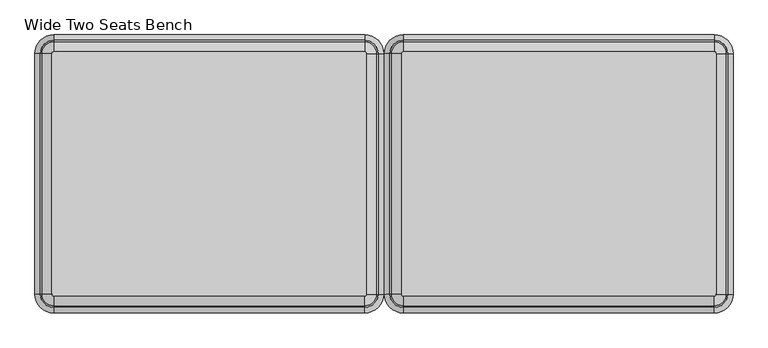
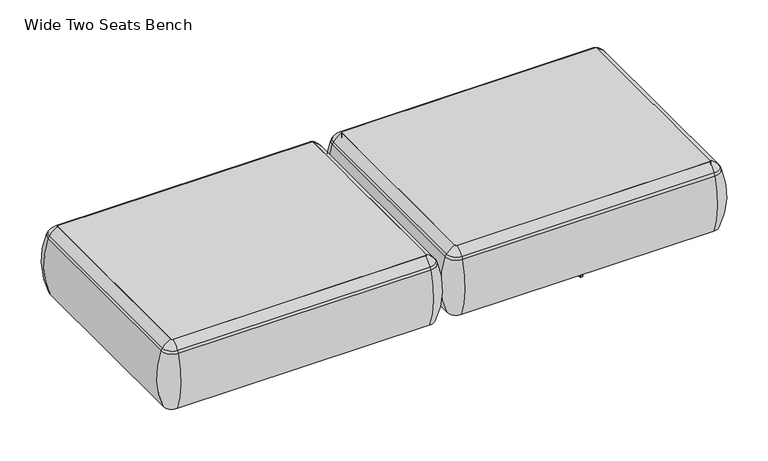
"""IFC4 building model written with IfcOpenShell, lengths in millimetres: furniture geometry, Wide Two Seats Bench."""

from ifc_helpers import new_model, si_unit, point, frame, frame_2d, origin, place, context, project, spatial, polyline, circle_curve, ellipse_curve, trimmed, segment, composite_curve, outline, extrude, source, transform, mapped, element, save
from ifc_brep_helpers import plane_surface, cylinder_surface, revolved_surface, advanced_brep


def wide_two_seats_bench_22a17a26(model_context):
    return source(origin(), model_context, "Body", "SolidModel", [
        extrude(outline(composite_curve([segment(trimmed(circle_curve(frame_2d((885.0815868, -668.4794123)), 5.2798073), [point((890.3613941, -668.4794123))], [point((885.0815868, -673.7592195))], False, "CARTESIAN"), True, "CONTINUOUS"), segment(polyline([(885.0815868, -673.7592195), (-94.0884132, -673.7592195)]), True, "CONTINUOUS"), segment(trimmed(circle_curve(frame_2d((-94.0884132, -668.4794123)), 5.2798073), [point((-94.0884132, -673.7592195))], [point((-99.3682204, -668.4794123))], False, "CARTESIAN"), True, "CONTINUOUS"), segment(polyline([(-99.3682204, -668.4794123), (-99.3682204, 89.8571486)]), True, "CONTINUOUS"), segment(trimmed(circle_curve(frame_2d((-94.0884132, 89.8571486)), 5.2798073), [point((-99.3682204, 89.8571486))], [point((-94.0884132, 95.1369558))], False, "CARTESIAN"), True, "CONTINUOUS"), segment(polyline([(-94.0884132, 95.1369558), (885.0815868, 95.1369558)]), True, "CONTINUOUS"), segment(trimmed(circle_curve(frame_2d((885.0815868, 89.8571486)), 5.2798073), [point((885.0815868, 95.1369558))], [point((890.3613941, 89.8571486))], False, "CARTESIAN"), True, "CONTINUOUS"), segment(polyline([(890.3613941, 89.8571486), (890.3613941, -668.4794123)]), True, "CONTINUOUS")], self_intersect=False)), frame((0.0, 0.0, 123.9999984), z_axis=(0.0, 0.0, 1.0), x_axis=(1.0, 0.0, 0.0)), (0.0, 0.0, 1.0), 266.3914023),
        advanced_brep(
        [(-99.3682204, -668.4794123, 390.3914007), (-94.0884132, -673.7592195, 390.3914007), (-94.0884132, -673.7592195, 123.9999984), (-99.3682204, -668.4794123, 123.9999984), (-128.0562646, -668.4794123, 123.9999984), (-94.0884132, -702.4472637, 123.9999984), (-94.0884132, -710.1267287, 353.7769053), (-135.7357296, -668.4794123, 353.7769053), (-99.3682204, 89.8571486, 123.9999984), (-99.3682204, 89.8571486, 390.3914007), (-135.7357296, 89.8571486, 353.7769053), (-128.0562646, 89.8571486, 123.9999984), (-94.0884132, 95.1369558, 390.3914007), (-94.0884132, 95.1369558, 123.9999984), (-94.0884132, 123.825, 123.9999984), (-94.0884132, 131.504465, 353.7769053), (885.0815868, 95.1369558, 123.9999984), (885.0815868, 95.1369558, 390.3914007), (885.0815868, 131.504465, 353.7769053), (885.0815868, 123.825, 123.9999984), (890.3613941, 89.8571486, 390.3914007), (890.3613941, 89.8571486, 123.9999984), (919.0494383, 89.8571486, 123.9999984), (926.7289033, 89.8571486, 353.7769053), (890.3613941, -668.4794123, 123.9999984), (890.3613941, -668.4794123, 390.3914007), (926.7289033, -668.4794123, 353.7769053), (919.0494383, -668.4794123, 123.9999984), (885.0815868, -673.7592195, 390.3914007), (885.0815868, -673.7592195, 123.9999984), (885.0815868, -702.4472637, 123.9999984), (885.0815868, -710.1267287, 353.7769053), (-130.5172697, -668.4794123, 363.6402875), (-94.0884132, -704.9082688, 363.6402875), (-130.5172697, 89.8571486, 363.6402875), (-94.0884132, 126.2860051, 363.6402875), (885.0815868, 126.2860051, 363.6402875), (921.5104434, 89.8571486, 363.6402875), (921.5104434, -668.4794123, 363.6402875), (885.0815868, -704.9082688, 363.6402875)],
        [
            (0, 1, circle_curve(frame((-94.0884132, -668.4794123, 390.3914007), z_axis=(0.0, 0.0, 1.0), x_axis=(0.0, -1.0, 0.0)), 5.2798073)),
            (1, 2),
            (2, 3, circle_curve(frame((-94.0884132, -668.4794123, 123.9999984), z_axis=(0.0, 0.0, -1.0), x_axis=(0.0, -1.0, 0.0)), 5.2798073)),
            (3, 0),
            (4, 5, circle_curve(frame((-94.0884132, -668.4794123, 123.9999984), z_axis=(0.0, 0.0, 1.0), x_axis=(0.0, -1.0, 0.0)), 33.9678514)),
            (5, 6, circle_curve(frame((-94.0884132, -406.0729797, 248.9220234), z_axis=(-1.0, 0.0, 0.0), x_axis=(0.0, -1.0, 0.0)), 321.625914)),
            (6, 7, circle_curve(frame((-94.0884132, -668.4794123, 353.7769053), z_axis=(0.0, 0.0, -1.0), x_axis=(0.0, -1.0, 0.0)), 41.6473165)),
            (7, 4, circle_curve(frame((168.3180194, -668.4794123, 248.9220234), z_axis=(0.0, -1.0, 0.0), x_axis=(-1.0, 0.0, 0.0)), 321.625914)),
            (3, 8),
            (8, 9),
            (9, 0),
            (7, 10),
            (10, 11, circle_curve(frame((168.3180194, 89.8571486, 248.9220234), z_axis=(0.0, -1.0, 0.0), x_axis=(-1.0, 0.0, 0.0)), 321.625914)),
            (11, 4),
            (12, 9, circle_curve(frame((-94.0884132, 89.8571486, 390.3914007), z_axis=(0.0, 0.0, 1.0), x_axis=(-1.0, 0.0, 0.0)), 5.2798073)),
            (8, 13, circle_curve(frame((-94.0884132, 89.8571486, 123.9999984), z_axis=(0.0, 0.0, -1.0), x_axis=(-1.0, 0.0, 0.0)), 5.2798073)),
            (13, 12),
            (14, 11, circle_curve(frame((-94.0884132, 89.8571486, 123.9999984), z_axis=(0.0, 0.0, 1.0), x_axis=(-1.0, 0.0, 0.0)), 33.9678514)),
            (10, 15, circle_curve(frame((-94.0884132, 89.8571486, 353.7769053), z_axis=(0.0, 0.0, -1.0), x_axis=(-1.0, 0.0, 0.0)), 41.6473165)),
            (15, 14, circle_curve(frame((-94.0884132, -172.549284, 248.9220234), z_axis=(-1.0, 0.0, 0.0), x_axis=(0.0, 1.0, 0.0)), 321.625914)),
            (13, 16),
            (16, 17),
            (17, 12),
            (15, 18),
            (18, 19, circle_curve(frame((885.0815868, -172.549284, 248.9220234), z_axis=(-1.0, 0.0, 0.0), x_axis=(0.0, 1.0, 0.0)), 321.625914)),
            (19, 14),
            (20, 17, circle_curve(frame((885.0815868, 89.8571486, 390.3914007), z_axis=(0.0, 0.0, 1.0), x_axis=(0.0, 1.0, 0.0)), 5.2798073)),
            (16, 21, circle_curve(frame((885.0815868, 89.8571486, 123.9999984), z_axis=(0.0, 0.0, -1.0), x_axis=(0.0, 1.0, 0.0)), 5.2798073)),
            (21, 20),
            (22, 19, circle_curve(frame((885.0815868, 89.8571486, 123.9999984), z_axis=(0.0, 0.0, 1.0), x_axis=(0.0, 1.0, 0.0)), 33.9678514)),
            (18, 23, circle_curve(frame((885.0815868, 89.8571486, 353.7769053), z_axis=(0.0, 0.0, -1.0), x_axis=(0.0, 1.0, 0.0)), 41.6473165)),
            (23, 22, circle_curve(frame((622.6751543, 89.8571486, 248.9220234), z_axis=(0.0, 1.0, 0.0), x_axis=(1.0, 0.0, 0.0)), 321.625914)),
            (21, 24),
            (24, 25),
            (25, 20),
            (23, 26),
            (26, 27, circle_curve(frame((622.6751543, -668.4794123, 248.9220234), z_axis=(0.0, 1.0, 0.0), x_axis=(1.0, 0.0, 0.0)), 321.625914)),
            (27, 22),
            (28, 25, circle_curve(frame((885.0815868, -668.4794123, 390.3914007), z_axis=(0.0, 0.0, 1.0), x_axis=(1.0, 0.0, 0.0)), 5.2798073)),
            (24, 29, circle_curve(frame((885.0815868, -668.4794123, 123.9999984), z_axis=(0.0, 0.0, -1.0), x_axis=(1.0, 0.0, 0.0)), 5.2798073)),
            (29, 28),
            (30, 27, circle_curve(frame((885.0815868, -668.4794123, 123.9999984), z_axis=(0.0, 0.0, 1.0), x_axis=(1.0, 0.0, 0.0)), 33.9678514)),
            (26, 31, circle_curve(frame((885.0815868, -668.4794123, 353.7769053), z_axis=(0.0, 0.0, -1.0), x_axis=(1.0, 0.0, 0.0)), 41.6473165)),
            (31, 30, circle_curve(frame((885.0815868, -406.0729797, 248.9220234), z_axis=(1.0, 0.0, 0.0), x_axis=(0.0, -1.0, 0.0)), 321.625914)),
            (30, 5),
            (2, 29),
            (1, 28),
            (31, 6),
            (32, 33, circle_curve(frame((-94.0884132, -668.4794123, 363.6402875), z_axis=(0.0, 0.0, 1.0), x_axis=(0.0, -1.0, 0.0)), 36.4288566)),
            (33, 1, circle_curve(frame((-94.0884132, -629.5266, 307.3762868), z_axis=(-1.0, 0.0, 0.0), x_axis=(0.0, -1.0, 0.0)), 94.0639876)),
            (0, 32, circle_curve(frame((-55.1356009, -668.4794123, 307.3762868), z_axis=(0.0, -1.0, 0.0), x_axis=(-1.0, 0.0, 0.0)), 94.0639876)),
            (6, 33, circle_curve(frame((-94.0884132, -675.8620096, 341.9604975), z_axis=(-1.0, 0.0, 0.0), x_axis=(0.0, -1.0, 0.0)), 36.2449785)),
            (32, 7, circle_curve(frame((-101.4710105, -668.4794123, 341.9604975), z_axis=(0.0, -1.0, 0.0), x_axis=(-1.0, 0.0, 0.0)), 36.2449785)),
            (9, 34, circle_curve(frame((-55.1356009, 89.8571486, 307.3762868), z_axis=(0.0, -1.0, 0.0), x_axis=(-1.0, 0.0, 0.0)), 94.0639876)),
            (34, 32),
            (34, 10, circle_curve(frame((-101.4710105, 89.8571486, 341.9604975), z_axis=(0.0, -1.0, 0.0), x_axis=(-1.0, 0.0, 0.0)), 36.2449785)),
            (35, 34, circle_curve(frame((-94.0884132, 89.8571486, 363.6402875), z_axis=(0.0, 0.0, 1.0), x_axis=(-1.0, 0.0, 0.0)), 36.4288566)),
            (12, 35, circle_curve(frame((-94.0884132, 50.9043363, 307.3762868), z_axis=(-1.0, 0.0, 0.0), x_axis=(0.0, 1.0, 0.0)), 94.0639876)),
            (35, 15, circle_curve(frame((-94.0884132, 97.2397459, 341.9604975), z_axis=(-1.0, 0.0, 0.0), x_axis=(0.0, 1.0, 0.0)), 36.2449785)),
            (17, 36, circle_curve(frame((885.0815868, 50.9043363, 307.3762868), z_axis=(-1.0, 0.0, 0.0), x_axis=(0.0, 1.0, 0.0)), 94.0639876)),
            (36, 35),
            (36, 18, circle_curve(frame((885.0815868, 97.2397459, 341.9604975), z_axis=(-1.0, 0.0, 0.0), x_axis=(0.0, 1.0, 0.0)), 36.2449785)),
            (37, 36, circle_curve(frame((885.0815868, 89.8571486, 363.6402875), z_axis=(0.0, 0.0, 1.0), x_axis=(0.0, 1.0, 0.0)), 36.4288566)),
            (20, 37, circle_curve(frame((846.1287746, 89.8571486, 307.3762868), z_axis=(0.0, 1.0, 0.0), x_axis=(1.0, 0.0, 0.0)), 94.0639876)),
            (37, 23, circle_curve(frame((892.4641842, 89.8571486, 341.9604975), z_axis=(0.0, 1.0, 0.0), x_axis=(1.0, 0.0, 0.0)), 36.2449785)),
            (25, 38, circle_curve(frame((846.1287746, -668.4794123, 307.3762868), z_axis=(0.0, 1.0, 0.0), x_axis=(1.0, 0.0, 0.0)), 94.0639876)),
            (38, 37),
            (38, 26, circle_curve(frame((892.4641842, -668.4794123, 341.9604975), z_axis=(0.0, 1.0, 0.0), x_axis=(1.0, 0.0, 0.0)), 36.2449785)),
            (39, 38, circle_curve(frame((885.0815868, -668.4794123, 363.6402875), z_axis=(0.0, 0.0, 1.0), x_axis=(1.0, 0.0, 0.0)), 36.4288566)),
            (28, 39, circle_curve(frame((885.0815868, -629.5266, 307.3762868), z_axis=(1.0, 0.0, 0.0), x_axis=(0.0, -1.0, 0.0)), 94.0639876)),
            (39, 31, circle_curve(frame((885.0815868, -675.8620096, 341.9604975), z_axis=(1.0, 0.0, 0.0), x_axis=(0.0, -1.0, 0.0)), 36.2449785)),
            (33, 39),
        ],
        [
            revolved_surface(polyline([(-94.0884132, -673.7592196, 123.9999984), (-94.0884132, -673.7592196, 390.3914007)]), (-94.0884132, -668.4794123, 0.0), (0.0, 0.0, -1.0)),
            revolved_surface(trimmed(ellipse_curve(frame((-94.0884132, -406.0729797, 248.9220234), z_axis=(1.0, 0.0, 0.0), x_axis=(0.0, -1.0, 0.0)), 321.625914, 321.625914), [point((-94.0884132, -710.1267287, 353.7769053))], [point((-94.0884132, -702.4472637, 123.9999984))], True, "CARTESIAN"), (-94.0884132, -668.4794123, 0.0), (0.0, 0.0, -1.0)),
            plane_surface(frame((-99.3682204, -668.4794123, 123.9999984), z_axis=(1.0, 0.0, 0.0), x_axis=(0.0, 1.0, 0.0))),
            cylinder_surface(frame((168.3180194, -668.4794123, 248.9220234), z_axis=(0.0, -1.0, 0.0), x_axis=(-1.0, 0.0, 0.0)), 321.625914),
            revolved_surface(polyline([(-99.3682205, 89.8571486, 123.9999984), (-99.3682205, 89.8571486, 390.3914007)]), (-94.0884132, 89.8571486, 0.0), (0.0, 0.0, -1.0)),
            revolved_surface(trimmed(ellipse_curve(frame((168.3180194, 89.8571486, 248.9220234), z_axis=(0.0, -1.0, 0.0), x_axis=(-1.0, 0.0, 0.0)), 321.625914, 321.625914), [point((-135.7357296, 89.8571486, 353.7769053))], [point((-128.0562646, 89.8571486, 123.9999984))], True, "CARTESIAN"), (-94.0884132, 89.8571486, 0.0), (0.0, 0.0, -1.0)),
            plane_surface(frame((-94.0884132, 95.1369558, 123.9999984), z_axis=(0.0, -1.0, 0.0), x_axis=(1.0, 0.0, 0.0))),
            cylinder_surface(frame((-94.0884132, -172.549284, 248.9220234), z_axis=(-1.0, 0.0, 0.0), x_axis=(0.0, 1.0, 0.0)), 321.625914),
            revolved_surface(polyline([(885.0815868, 95.1369559, 123.9999984), (885.0815868, 95.1369559, 390.3914007)]), (885.0815868, 89.8571486, 0.0), (0.0, 0.0, -1.0)),
            revolved_surface(trimmed(ellipse_curve(frame((885.0815868, -172.549284, 248.9220234), z_axis=(-1.0, 0.0, 0.0), x_axis=(0.0, 1.0, 0.0)), 321.625914, 321.625914), [point((885.0815868, 131.504465, 353.7769053))], [point((885.0815868, 123.825, 123.9999984))], True, "CARTESIAN"), (885.0815868, 89.8571486, 0.0), (0.0, 0.0, -1.0)),
            plane_surface(frame((890.3613941, 89.8571486, 123.9999984), z_axis=(-1.0, 0.0, 0.0), x_axis=(0.0, -1.0, 0.0))),
            cylinder_surface(frame((622.6751543, 89.8571486, 248.9220234), z_axis=(0.0, 1.0, 0.0), x_axis=(1.0, 0.0, 0.0)), 321.625914),
            revolved_surface(polyline([(890.3613941, -668.4794123, 123.9999984), (890.3613941, -668.4794123, 390.3914007)]), (885.0815868, -668.4794123, 0.0), (0.0, 0.0, -1.0)),
            revolved_surface(trimmed(ellipse_curve(frame((622.6751543, -668.4794123, 248.9220234), z_axis=(0.0, 1.0, 0.0), x_axis=(1.0, 0.0, 0.0)), 321.625914, 321.625914), [point((926.7289033, -668.4794123, 353.7769053))], [point((919.0494383, -668.4794123, 123.9999984))], True, "CARTESIAN"), (885.0815868, -668.4794123, 0.0), (0.0, 0.0, -1.0)),
            plane_surface(frame((885.0815868, -702.4472637, 123.9999984), z_axis=(0.0, 0.0, -1.0), x_axis=(-1.0, 0.0, 0.0))),
            plane_surface(frame((885.0815868, -673.7592195, 123.9999984), z_axis=(0.0, 1.0, 0.0), x_axis=(-1.0, 0.0, 0.0))),
            cylinder_surface(frame((885.0815868, -406.0729797, 248.9220234), z_axis=(1.0, 0.0, 0.0), x_axis=(0.0, -1.0, 0.0)), 321.625914),
            revolved_surface(trimmed(ellipse_curve(frame((-94.0884132, -629.5266, 307.3762868), z_axis=(1.0, 0.0, 0.0), x_axis=(0.0, -1.0, 0.0)), 94.0639876, 94.0639876), [point((-94.0884132, -673.7592195, 390.3914007))], [point((-94.0884132, -704.9082688, 363.6402875))], True, "CARTESIAN"), (-94.0884132, -668.4794123, 0.0), (0.0, 0.0, -1.0)),
            revolved_surface(trimmed(ellipse_curve(frame((-94.0884132, -675.8620096, 341.9604975), z_axis=(1.0, 0.0, 0.0), x_axis=(0.0, -1.0, 0.0)), 36.2449785, 36.2449785), [point((-94.0884132, -704.9082688, 363.6402875))], [point((-94.0884132, -710.1267287, 353.7769053))], True, "CARTESIAN"), (-94.0884132, -668.4794123, 0.0), (0.0, 0.0, -1.0)),
            cylinder_surface(frame((-55.1356009, -668.4794123, 307.3762868), z_axis=(0.0, -1.0, 0.0), x_axis=(-1.0, 0.0, 0.0)), 94.0639876),
            cylinder_surface(frame((-101.4710105, -668.4794123, 341.9604975), z_axis=(0.0, -1.0, 0.0), x_axis=(-1.0, 0.0, 0.0)), 36.2449785),
            revolved_surface(trimmed(ellipse_curve(frame((-55.1356009, 89.8571486, 307.3762868), z_axis=(0.0, -1.0, 0.0), x_axis=(-1.0, 0.0, 0.0)), 94.0639876, 94.0639876), [point((-99.3682204, 89.8571486, 390.3914007))], [point((-130.5172697, 89.8571486, 363.6402875))], True, "CARTESIAN"), (-94.0884132, 89.8571486, 0.0), (0.0, 0.0, -1.0)),
            revolved_surface(trimmed(ellipse_curve(frame((-101.4710105, 89.8571486, 341.9604975), z_axis=(0.0, -1.0, 0.0), x_axis=(-1.0, 0.0, 0.0)), 36.2449785, 36.2449785), [point((-130.5172697, 89.8571486, 363.6402875))], [point((-135.7357296, 89.8571486, 353.7769053))], True, "CARTESIAN"), (-94.0884132, 89.8571486, 0.0), (0.0, 0.0, -1.0)),
            cylinder_surface(frame((-94.0884132, 50.9043363, 307.3762868), z_axis=(-1.0, 0.0, 0.0), x_axis=(0.0, 1.0, 0.0)), 94.0639876),
            cylinder_surface(frame((-94.0884132, 97.2397459, 341.9604975), z_axis=(-1.0, 0.0, 0.0), x_axis=(0.0, 1.0, 0.0)), 36.2449785),
            revolved_surface(trimmed(ellipse_curve(frame((885.0815868, 50.9043363, 307.3762868), z_axis=(-1.0, 0.0, 0.0), x_axis=(0.0, 1.0, 0.0)), 94.0639876, 94.0639876), [point((885.0815868, 95.1369558, 390.3914007))], [point((885.0815868, 126.2860051, 363.6402875))], True, "CARTESIAN"), (885.0815868, 89.8571486, 0.0), (0.0, 0.0, -1.0)),
            revolved_surface(trimmed(ellipse_curve(frame((885.0815868, 97.2397459, 341.9604975), z_axis=(-1.0, 0.0, 0.0), x_axis=(0.0, 1.0, 0.0)), 36.2449785, 36.2449785), [point((885.0815868, 126.2860051, 363.6402875))], [point((885.0815868, 131.504465, 353.7769053))], True, "CARTESIAN"), (885.0815868, 89.8571486, 0.0), (0.0, 0.0, -1.0)),
            cylinder_surface(frame((846.1287746, 89.8571486, 307.3762868), z_axis=(0.0, 1.0, 0.0), x_axis=(1.0, 0.0, 0.0)), 94.0639876),
            cylinder_surface(frame((892.4641842, 89.8571486, 341.9604975), z_axis=(0.0, 1.0, 0.0), x_axis=(1.0, 0.0, 0.0)), 36.2449785),
            revolved_surface(trimmed(ellipse_curve(frame((846.1287746, -668.4794123, 307.3762868), z_axis=(0.0, 1.0, 0.0), x_axis=(1.0, 0.0, 0.0)), 94.0639876, 94.0639876), [point((890.3613941, -668.4794123, 390.3914007))], [point((921.5104434, -668.4794123, 363.6402875))], True, "CARTESIAN"), (885.0815868, -668.4794123, 0.0), (0.0, 0.0, -1.0)),
            revolved_surface(trimmed(ellipse_curve(frame((892.4641842, -668.4794123, 341.9604975), z_axis=(0.0, 1.0, 0.0), x_axis=(1.0, 0.0, 0.0)), 36.2449785, 36.2449785), [point((921.5104434, -668.4794123, 363.6402875))], [point((926.7289033, -668.4794123, 353.7769053))], True, "CARTESIAN"), (885.0815868, -668.4794123, 0.0), (0.0, 0.0, -1.0)),
            cylinder_surface(frame((885.0815868, -629.5266, 307.3762868), z_axis=(1.0, 0.0, 0.0), x_axis=(0.0, -1.0, 0.0)), 94.0639876),
            cylinder_surface(frame((885.0815868, -675.8620096, 341.9604975), z_axis=(1.0, 0.0, 0.0), x_axis=(0.0, -1.0, 0.0)), 36.2449785),
        ],
        [
            (0, [[1, 2, 3, 4]]),
            (1, [[5, 6, 7, 8]]),
            (2, [[-4, 9, 10, 11]]),
            (3, [[-8, 12, 13, 14]]),
            (4, [[15, -10, 16, 17]]),
            (5, [[18, -13, 19, 20]]),
            (6, [[-17, 21, 22, 23]]),
            (7, [[-20, 24, 25, 26]]),
            (8, [[27, -22, 28, 29]]),
            (9, [[30, -25, 31, 32]]),
            (10, [[-29, 33, 34, 35]]),
            (11, [[-32, 36, 37, 38]]),
            (12, [[39, -34, 40, 41]]),
            (13, [[42, -37, 43, 44]]),
            (14, [[-38, -42, 45, -5, -14, -18, -26, -30], [46, -40, -33, -28, -21, -16, -9, -3]]),
            (15, [[-41, -46, -2, 47]]),
            (16, [[-44, 48, -6, -45]]),
            (17, [[49, 50, -1, 51]]),
            (18, [[-7, 52, -49, 53]]),
            (19, [[-51, -11, 54, 55]]),
            (20, [[-53, -55, 56, -12]]),
            (21, [[57, -54, -15, 58]]),
            (22, [[-19, -56, -57, 59]]),
            (23, [[-58, -23, 60, 61]]),
            (24, [[-59, -61, 62, -24]]),
            (25, [[63, -60, -27, 64]]),
            (26, [[-31, -62, -63, 65]]),
            (27, [[-64, -35, 66, 67]]),
            (28, [[-65, -67, 68, -36]]),
            (29, [[69, -66, -39, 70]]),
            (30, [[-43, -68, -69, 71]]),
            (31, [[-70, -47, -50, 72]]),
            (32, [[-71, -72, -52, -48]]),
        ],
    ),
        extrude(outline(composite_curve([segment(trimmed(circle_curve(frame_2d((-215.0888998, -668.4794123)), 5.2798073), [point((-209.8090925, -668.4794123))], [point((-215.0888998, -673.7592195))], False, "CARTESIAN"), True, "CONTINUOUS"), segment(polyline([(-215.0888998, -673.7592195), (-1194.2588998, -673.7592195)]), True, "CONTINUOUS"), segment(trimmed(circle_curve(frame_2d((-1194.2588998, -668.4794123)), 5.2798073), [point((-1194.2588998, -673.7592195))], [point((-1199.538707, -668.4794123))], False, "CARTESIAN"), True, "CONTINUOUS"), segment(polyline([(-1199.538707, -668.4794123), (-1199.538707, 89.8571486)]), True, "CONTINUOUS"), segment(trimmed(circle_curve(frame_2d((-1194.2588998, 89.8571486)), 5.2798073), [point((-1199.538707, 89.8571486))], [point((-1194.2588998, 95.1369558))], False, "CARTESIAN"), True, "CONTINUOUS"), segment(polyline([(-1194.2588998, 95.1369558), (-215.0888998, 95.1369558)]), True, "CONTINUOUS"), segment(trimmed(circle_curve(frame_2d((-215.0888998, 89.8571486)), 5.2798073), [point((-215.0888998, 95.1369558))], [point((-209.8090925, 89.8571486))], False, "CARTESIAN"), True, "CONTINUOUS"), segment(polyline([(-209.8090925, 89.8571486), (-209.8090925, -668.4794123)]), True, "CONTINUOUS")], self_intersect=False)), frame((0.0, 0.0, 123.9999984), z_axis=(0.0, 0.0, 1.0), x_axis=(1.0, 0.0, 0.0)), (0.0, 0.0, 1.0), 266.3914023),
        advanced_brep(
        [(-1199.538707, -668.4794123, 390.3914007), (-1194.2588998, -673.7592195, 390.3914007), (-1194.2588998, -673.7592195, 123.9999984), (-1199.538707, -668.4794123, 123.9999984), (-1228.2267512, -668.4794123, 123.9999984), (-1194.2588998, -702.4472637, 123.9999984), (-1194.2588998, -710.1267287, 353.7769053), (-1235.9062162, -668.4794123, 353.7769053), (-1199.538707, 89.8571486, 123.9999984), (-1199.538707, 89.8571486, 390.3914007), (-1235.9062162, 89.8571486, 353.7769053), (-1228.2267512, 89.8571486, 123.9999984), (-1194.2588998, 95.1369558, 390.3914007), (-1194.2588998, 95.1369558, 123.9999984), (-1194.2588998, 123.825, 123.9999984), (-1194.2588998, 131.504465, 353.7769053), (-215.0888998, 95.1369558, 123.9999984), (-215.0888998, 95.1369558, 390.3914007), (-215.0888998, 131.504465, 353.7769053), (-215.0888998, 123.825, 123.9999984), (-209.8090925, 89.8571486, 390.3914007), (-209.8090925, 89.8571486, 123.9999984), (-181.1210483, 89.8571486, 123.9999984), (-173.4415833, 89.8571486, 353.7769053), (-209.8090925, -668.4794123, 123.9999984), (-209.8090925, -668.4794123, 390.3914007), (-173.4415833, -668.4794123, 353.7769053), (-181.1210483, -668.4794123, 123.9999984), (-215.0888998, -673.7592195, 390.3914007), (-215.0888998, -673.7592195, 123.9999984), (-215.0888998, -702.4472637, 123.9999984), (-215.0888998, -710.1267287, 353.7769053), (-1230.6877563, -668.4794123, 363.6402875), (-1194.2588998, -704.9082688, 363.6402875), (-1230.6877563, 89.8571486, 363.6402875), (-1194.2588998, 126.2860051, 363.6402875), (-215.0888998, 126.2860051, 363.6402875), (-178.6600432, 89.8571486, 363.6402875), (-178.6600432, -668.4794123, 363.6402875), (-215.0888998, -704.9082688, 363.6402875)],
        [
            (0, 1, circle_curve(frame((-1194.2588998, -668.4794123, 390.3914007), z_axis=(0.0, 0.0, 1.0), x_axis=(0.0, -1.0, 0.0)), 5.2798073)),
            (1, 2),
            (2, 3, circle_curve(frame((-1194.2588998, -668.4794123, 123.9999984), z_axis=(0.0, 0.0, -1.0), x_axis=(0.0, -1.0, 0.0)), 5.2798073)),
            (3, 0),
            (4, 5, circle_curve(frame((-1194.2588998, -668.4794123, 123.9999984), z_axis=(0.0, 0.0, 1.0), x_axis=(0.0, -1.0, 0.0)), 33.9678514)),
            (5, 6, circle_curve(frame((-1194.2588998, -406.0729797, 248.9220234), z_axis=(-1.0, 0.0, 0.0), x_axis=(0.0, -1.0, 0.0)), 321.625914)),
            (6, 7, circle_curve(frame((-1194.2588998, -668.4794123, 353.7769053), z_axis=(0.0, 0.0, -1.0), x_axis=(0.0, -1.0, 0.0)), 41.6473165)),
            (7, 4, circle_curve(frame((-931.8524672, -668.4794123, 248.9220234), z_axis=(0.0, -1.0, 0.0), x_axis=(-1.0, 0.0, 0.0)), 321.625914)),
            (3, 8),
            (8, 9),
            (9, 0),
            (7, 10),
            (10, 11, circle_curve(frame((-931.8524672, 89.8571486, 248.9220234), z_axis=(0.0, -1.0, 0.0), x_axis=(-1.0, 0.0, 0.0)), 321.625914)),
            (11, 4),
            (12, 9, circle_curve(frame((-1194.2588998, 89.8571486, 390.3914007), z_axis=(0.0, 0.0, 1.0), x_axis=(-1.0, 0.0, 0.0)), 5.2798073)),
            (8, 13, circle_curve(frame((-1194.2588998, 89.8571486, 123.9999984), z_axis=(0.0, 0.0, -1.0), x_axis=(-1.0, 0.0, 0.0)), 5.2798073)),
            (13, 12),
            (14, 11, circle_curve(frame((-1194.2588998, 89.8571486, 123.9999984), z_axis=(0.0, 0.0, 1.0), x_axis=(-1.0, 0.0, 0.0)), 33.9678514)),
            (10, 15, circle_curve(frame((-1194.2588998, 89.8571486, 353.7769053), z_axis=(0.0, 0.0, -1.0), x_axis=(-1.0, 0.0, 0.0)), 41.6473165)),
            (15, 14, circle_curve(frame((-1194.2588998, -172.549284, 248.9220234), z_axis=(-1.0, 0.0, 0.0), x_axis=(0.0, 1.0, 0.0)), 321.625914)),
            (13, 16),
            (16, 17),
            (17, 12),
            (15, 18),
            (18, 19, circle_curve(frame((-215.0888998, -172.549284, 248.9220234), z_axis=(-1.0, 0.0, 0.0), x_axis=(0.0, 1.0, 0.0)), 321.625914)),
            (19, 14),
            (20, 17, circle_curve(frame((-215.0888998, 89.8571486, 390.3914007), z_axis=(0.0, 0.0, 1.0), x_axis=(0.0, 1.0, 0.0)), 5.2798073)),
            (16, 21, circle_curve(frame((-215.0888998, 89.8571486, 123.9999984), z_axis=(0.0, 0.0, -1.0), x_axis=(0.0, 1.0, 0.0)), 5.2798073)),
            (21, 20),
            (22, 19, circle_curve(frame((-215.0888998, 89.8571486, 123.9999984), z_axis=(0.0, 0.0, 1.0), x_axis=(0.0, 1.0, 0.0)), 33.9678514)),
            (18, 23, circle_curve(frame((-215.0888998, 89.8571486, 353.7769053), z_axis=(0.0, 0.0, -1.0), x_axis=(0.0, 1.0, 0.0)), 41.6473165)),
            (23, 22, circle_curve(frame((-477.4953323, 89.8571486, 248.9220234), z_axis=(0.0, 1.0, 0.0), x_axis=(1.0, 0.0, 0.0)), 321.625914)),
            (21, 24),
            (24, 25),
            (25, 20),
            (23, 26),
            (26, 27, circle_curve(frame((-477.4953323, -668.4794123, 248.9220234), z_axis=(0.0, 1.0, 0.0), x_axis=(1.0, 0.0, 0.0)), 321.625914)),
            (27, 22),
            (28, 25, circle_curve(frame((-215.0888998, -668.4794123, 390.3914007), z_axis=(0.0, 0.0, 1.0), x_axis=(1.0, 0.0, 0.0)), 5.2798073)),
            (24, 29, circle_curve(frame((-215.0888998, -668.4794123, 123.9999984), z_axis=(0.0, 0.0, -1.0), x_axis=(1.0, 0.0, 0.0)), 5.2798073)),
            (29, 28),
            (30, 27, circle_curve(frame((-215.0888998, -668.4794123, 123.9999984), z_axis=(0.0, 0.0, 1.0), x_axis=(1.0, 0.0, 0.0)), 33.9678514)),
            (26, 31, circle_curve(frame((-215.0888998, -668.4794123, 353.7769053), z_axis=(0.0, 0.0, -1.0), x_axis=(1.0, 0.0, 0.0)), 41.6473165)),
            (31, 30, circle_curve(frame((-215.0888998, -406.0729797, 248.9220234), z_axis=(1.0, 0.0, 0.0), x_axis=(0.0, -1.0, 0.0)), 321.625914)),
            (30, 5),
            (2, 29),
            (1, 28),
            (31, 6),
            (32, 33, circle_curve(frame((-1194.2588998, -668.4794123, 363.6402875), z_axis=(0.0, 0.0, 1.0), x_axis=(0.0, -1.0, 0.0)), 36.4288566)),
            (33, 1, circle_curve(frame((-1194.2588998, -629.5266, 307.3762868), z_axis=(-1.0, 0.0, 0.0), x_axis=(0.0, -1.0, 0.0)), 94.0639876)),
            (0, 32, circle_curve(frame((-1155.3060875, -668.4794123, 307.3762868), z_axis=(0.0, -1.0, 0.0), x_axis=(-1.0, 0.0, 0.0)), 94.0639876)),
            (6, 33, circle_curve(frame((-1194.2588998, -675.8620096, 341.9604975), z_axis=(-1.0, 0.0, 0.0), x_axis=(0.0, -1.0, 0.0)), 36.2449785)),
            (32, 7, circle_curve(frame((-1201.6414971, -668.4794123, 341.9604975), z_axis=(0.0, -1.0, 0.0), x_axis=(-1.0, 0.0, 0.0)), 36.2449785)),
            (9, 34, circle_curve(frame((-1155.3060875, 89.8571486, 307.3762868), z_axis=(0.0, -1.0, 0.0), x_axis=(-1.0, 0.0, 0.0)), 94.0639876)),
            (34, 32),
            (34, 10, circle_curve(frame((-1201.6414971, 89.8571486, 341.9604975), z_axis=(0.0, -1.0, 0.0), x_axis=(-1.0, 0.0, 0.0)), 36.2449785)),
            (35, 34, circle_curve(frame((-1194.2588998, 89.8571486, 363.6402875), z_axis=(0.0, 0.0, 1.0), x_axis=(-1.0, 0.0, 0.0)), 36.4288566)),
            (12, 35, circle_curve(frame((-1194.2588998, 50.9043363, 307.3762868), z_axis=(-1.0, 0.0, 0.0), x_axis=(0.0, 1.0, 0.0)), 94.0639876)),
            (35, 15, circle_curve(frame((-1194.2588998, 97.2397459, 341.9604975), z_axis=(-1.0, 0.0, 0.0), x_axis=(0.0, 1.0, 0.0)), 36.2449785)),
            (17, 36, circle_curve(frame((-215.0888998, 50.9043363, 307.3762868), z_axis=(-1.0, 0.0, 0.0), x_axis=(0.0, 1.0, 0.0)), 94.0639876)),
            (36, 35),
            (36, 18, circle_curve(frame((-215.0888998, 97.2397459, 341.9604975), z_axis=(-1.0, 0.0, 0.0), x_axis=(0.0, 1.0, 0.0)), 36.2449785)),
            (37, 36, circle_curve(frame((-215.0888998, 89.8571486, 363.6402875), z_axis=(0.0, 0.0, 1.0), x_axis=(0.0, 1.0, 0.0)), 36.4288566)),
            (20, 37, circle_curve(frame((-254.041712, 89.8571486, 307.3762868), z_axis=(0.0, 1.0, 0.0), x_axis=(1.0, 0.0, 0.0)), 94.0639876)),
            (37, 23, circle_curve(frame((-207.7063024, 89.8571486, 341.9604975), z_axis=(0.0, 1.0, 0.0), x_axis=(1.0, 0.0, 0.0)), 36.2449785)),
            (25, 38, circle_curve(frame((-254.041712, -668.4794123, 307.3762868), z_axis=(0.0, 1.0, 0.0), x_axis=(1.0, 0.0, 0.0)), 94.0639876)),
            (38, 37),
            (38, 26, circle_curve(frame((-207.7063024, -668.4794123, 341.9604975), z_axis=(0.0, 1.0, 0.0), x_axis=(1.0, 0.0, 0.0)), 36.2449785)),
            (39, 38, circle_curve(frame((-215.0888998, -668.4794123, 363.6402875), z_axis=(0.0, 0.0, 1.0), x_axis=(1.0, 0.0, 0.0)), 36.4288566)),
            (28, 39, circle_curve(frame((-215.0888998, -629.5266, 307.3762868), z_axis=(1.0, 0.0, 0.0), x_axis=(0.0, -1.0, 0.0)), 94.0639876)),
            (39, 31, circle_curve(frame((-215.0888998, -675.8620096, 341.9604975), z_axis=(1.0, 0.0, 0.0), x_axis=(0.0, -1.0, 0.0)), 36.2449785)),
            (33, 39),
        ],
        [
            revolved_surface(polyline([(-1194.2588998, -673.7592196, 123.9999984), (-1194.2588998, -673.7592196, 390.3914007)]), (-1194.2588998, -668.4794123, 0.0), (0.0, 0.0, -1.0)),
            revolved_surface(trimmed(ellipse_curve(frame((-1194.2588998, -406.0729797, 248.9220234), z_axis=(1.0, 0.0, 0.0), x_axis=(0.0, -1.0, 0.0)), 321.625914, 321.625914), [point((-1194.2588998, -710.1267287, 353.7769053))], [point((-1194.2588998, -702.4472637, 123.9999984))], True, "CARTESIAN"), (-1194.2588998, -668.4794123, 0.0), (0.0, 0.0, -1.0)),
            plane_surface(frame((-1199.538707, -668.4794123, 123.9999984), z_axis=(1.0, 0.0, 0.0), x_axis=(0.0, 1.0, 0.0))),
            cylinder_surface(frame((-931.8524672, -668.4794123, 248.9220234), z_axis=(0.0, -1.0, 0.0), x_axis=(-1.0, 0.0, 0.0)), 321.625914),
            revolved_surface(polyline([(-1199.5387071, 89.8571486, 123.9999984), (-1199.5387071, 89.8571486, 390.3914007)]), (-1194.2588998, 89.8571486, 0.0), (0.0, 0.0, -1.0)),
            revolved_surface(trimmed(ellipse_curve(frame((-931.8524672, 89.8571486, 248.9220234), z_axis=(0.0, -1.0, 0.0), x_axis=(-1.0, 0.0, 0.0)), 321.625914, 321.625914), [point((-1235.9062162, 89.8571486, 353.7769053))], [point((-1228.2267512, 89.8571486, 123.9999984))], True, "CARTESIAN"), (-1194.2588998, 89.8571486, 0.0), (0.0, 0.0, -1.0)),
            plane_surface(frame((-1194.2588998, 95.1369558, 123.9999984), z_axis=(0.0, -1.0, 0.0), x_axis=(1.0, 0.0, 0.0))),
            cylinder_surface(frame((-1194.2588998, -172.549284, 248.9220234), z_axis=(-1.0, 0.0, 0.0), x_axis=(0.0, 1.0, 0.0)), 321.625914),
            revolved_surface(polyline([(-215.0888998, 95.1369559, 123.9999984), (-215.0888998, 95.1369559, 390.3914007)]), (-215.0888998, 89.8571486, 0.0), (0.0, 0.0, -1.0)),
            revolved_surface(trimmed(ellipse_curve(frame((-215.0888998, -172.549284, 248.9220234), z_axis=(-1.0, 0.0, 0.0), x_axis=(0.0, 1.0, 0.0)), 321.625914, 321.625914), [point((-215.0888998, 131.504465, 353.7769053))], [point((-215.0888998, 123.825, 123.9999984))], True, "CARTESIAN"), (-215.0888998, 89.8571486, 0.0), (0.0, 0.0, -1.0)),
            plane_surface(frame((-209.8090925, 89.8571486, 123.9999984), z_axis=(-1.0, 0.0, 0.0), x_axis=(0.0, -1.0, 0.0))),
            cylinder_surface(frame((-477.4953323, 89.8571486, 248.9220234), z_axis=(0.0, 1.0, 0.0), x_axis=(1.0, 0.0, 0.0)), 321.625914),
            revolved_surface(polyline([(-209.80909250000002, -668.4794123, 123.9999984), (-209.80909250000002, -668.4794123, 390.3914007)]), (-215.0888998, -668.4794123, 0.0), (0.0, 0.0, -1.0)),
            revolved_surface(trimmed(ellipse_curve(frame((-477.4953323, -668.4794123, 248.9220234), z_axis=(0.0, 1.0, 0.0), x_axis=(1.0, 0.0, 0.0)), 321.625914, 321.625914), [point((-173.4415833, -668.4794123, 353.7769053))], [point((-181.1210483, -668.4794123, 123.9999984))], True, "CARTESIAN"), (-215.0888998, -668.4794123, 0.0), (0.0, 0.0, -1.0)),
            plane_surface(frame((-215.0888998, -702.4472637, 123.9999984), z_axis=(0.0, 0.0, -1.0), x_axis=(-1.0, 0.0, 0.0))),
            plane_surface(frame((-215.0888998, -673.7592195, 123.9999984), z_axis=(0.0, 1.0, 0.0), x_axis=(-1.0, 0.0, 0.0))),
            cylinder_surface(frame((-215.0888998, -406.0729797, 248.9220234), z_axis=(1.0, 0.0, 0.0), x_axis=(0.0, -1.0, 0.0)), 321.625914),
            revolved_surface(trimmed(ellipse_curve(frame((-1194.2588998, -629.5266, 307.3762868), z_axis=(1.0, 0.0, 0.0), x_axis=(0.0, -1.0, 0.0)), 94.0639876, 94.0639876), [point((-1194.2588998, -673.7592195, 390.3914007))], [point((-1194.2588998, -704.9082688, 363.6402875))], True, "CARTESIAN"), (-1194.2588998, -668.4794123, 0.0), (0.0, 0.0, -1.0)),
            revolved_surface(trimmed(ellipse_curve(frame((-1194.2588998, -675.8620096, 341.9604975), z_axis=(1.0, 0.0, 0.0), x_axis=(0.0, -1.0, 0.0)), 36.2449785, 36.2449785), [point((-1194.2588998, -704.9082688, 363.6402875))], [point((-1194.2588998, -710.1267287, 353.7769053))], True, "CARTESIAN"), (-1194.2588998, -668.4794123, 0.0), (0.0, 0.0, -1.0)),
            cylinder_surface(frame((-1155.3060875, -668.4794123, 307.3762868), z_axis=(0.0, -1.0, 0.0), x_axis=(-1.0, 0.0, 0.0)), 94.0639876),
            cylinder_surface(frame((-1201.6414971, -668.4794123, 341.9604975), z_axis=(0.0, -1.0, 0.0), x_axis=(-1.0, 0.0, 0.0)), 36.2449785),
            revolved_surface(trimmed(ellipse_curve(frame((-1155.3060875, 89.8571486, 307.3762868), z_axis=(0.0, -1.0, 0.0), x_axis=(-1.0, 0.0, 0.0)), 94.0639876, 94.0639876), [point((-1199.538707, 89.8571486, 390.3914007))], [point((-1230.6877563, 89.8571486, 363.6402875))], True, "CARTESIAN"), (-1194.2588998, 89.8571486, 0.0), (0.0, 0.0, -1.0)),
            revolved_surface(trimmed(ellipse_curve(frame((-1201.6414971, 89.8571486, 341.9604975), z_axis=(0.0, -1.0, 0.0), x_axis=(-1.0, 0.0, 0.0)), 36.2449785, 36.2449785), [point((-1230.6877563, 89.8571486, 363.6402875))], [point((-1235.9062162, 89.8571486, 353.7769053))], True, "CARTESIAN"), (-1194.2588998, 89.8571486, 0.0), (0.0, 0.0, -1.0)),
            cylinder_surface(frame((-1194.2588998, 50.9043363, 307.3762868), z_axis=(-1.0, 0.0, 0.0), x_axis=(0.0, 1.0, 0.0)), 94.0639876),
            cylinder_surface(frame((-1194.2588998, 97.2397459, 341.9604975), z_axis=(-1.0, 0.0, 0.0), x_axis=(0.0, 1.0, 0.0)), 36.2449785),
            revolved_surface(trimmed(ellipse_curve(frame((-215.0888998, 50.9043363, 307.3762868), z_axis=(-1.0, 0.0, 0.0), x_axis=(0.0, 1.0, 0.0)), 94.0639876, 94.0639876), [point((-215.0888998, 95.1369558, 390.3914007))], [point((-215.0888998, 126.2860051, 363.6402875))], True, "CARTESIAN"), (-215.0888998, 89.8571486, 0.0), (0.0, 0.0, -1.0)),
            revolved_surface(trimmed(ellipse_curve(frame((-215.0888998, 97.2397459, 341.9604975), z_axis=(-1.0, 0.0, 0.0), x_axis=(0.0, 1.0, 0.0)), 36.2449785, 36.2449785), [point((-215.0888998, 126.2860051, 363.6402875))], [point((-215.0888998, 131.504465, 353.7769053))], True, "CARTESIAN"), (-215.0888998, 89.8571486, 0.0), (0.0, 0.0, -1.0)),
            cylinder_surface(frame((-254.041712, 89.8571486, 307.3762868), z_axis=(0.0, 1.0, 0.0), x_axis=(1.0, 0.0, 0.0)), 94.0639876),
            cylinder_surface(frame((-207.7063024, 89.8571486, 341.9604975), z_axis=(0.0, 1.0, 0.0), x_axis=(1.0, 0.0, 0.0)), 36.2449785),
            revolved_surface(trimmed(ellipse_curve(frame((-254.041712, -668.4794123, 307.3762868), z_axis=(0.0, 1.0, 0.0), x_axis=(1.0, 0.0, 0.0)), 94.0639876, 94.0639876), [point((-209.8090925, -668.4794123, 390.3914007))], [point((-178.6600432, -668.4794123, 363.6402875))], True, "CARTESIAN"), (-215.0888998, -668.4794123, 0.0), (0.0, 0.0, -1.0)),
            revolved_surface(trimmed(ellipse_curve(frame((-207.7063024, -668.4794123, 341.9604975), z_axis=(0.0, 1.0, 0.0), x_axis=(1.0, 0.0, 0.0)), 36.2449785, 36.2449785), [point((-178.6600432, -668.4794123, 363.6402875))], [point((-173.4415833, -668.4794123, 353.7769053))], True, "CARTESIAN"), (-215.0888998, -668.4794123, 0.0), (0.0, 0.0, -1.0)),
            cylinder_surface(frame((-215.0888998, -629.5266, 307.3762868), z_axis=(1.0, 0.0, 0.0), x_axis=(0.0, -1.0, 0.0)), 94.0639876),
            cylinder_surface(frame((-215.0888998, -675.8620096, 341.9604975), z_axis=(1.0, 0.0, 0.0), x_axis=(0.0, -1.0, 0.0)), 36.2449785),
        ],
        [
            (0, [[1, 2, 3, 4]]),
            (1, [[5, 6, 7, 8]]),
            (2, [[-4, 9, 10, 11]]),
            (3, [[-8, 12, 13, 14]]),
            (4, [[15, -10, 16, 17]]),
            (5, [[18, -13, 19, 20]]),
            (6, [[-17, 21, 22, 23]]),
            (7, [[-20, 24, 25, 26]]),
            (8, [[27, -22, 28, 29]]),
            (9, [[30, -25, 31, 32]]),
            (10, [[-29, 33, 34, 35]]),
            (11, [[-32, 36, 37, 38]]),
            (12, [[39, -34, 40, 41]]),
            (13, [[42, -37, 43, 44]]),
            (14, [[-38, -42, 45, -5, -14, -18, -26, -30], [46, -40, -33, -28, -21, -16, -9, -3]]),
            (15, [[-41, -46, -2, 47]]),
            (16, [[-44, 48, -6, -45]]),
            (17, [[49, 50, -1, 51]]),
            (18, [[-7, 52, -49, 53]]),
            (19, [[-51, -11, 54, 55]]),
            (20, [[-53, -55, 56, -12]]),
            (21, [[57, -54, -15, 58]]),
            (22, [[-19, -56, -57, 59]]),
            (23, [[-58, -23, 60, 61]]),
            (24, [[-59, -61, 62, -24]]),
            (25, [[63, -60, -27, 64]]),
            (26, [[-31, -62, -63, 65]]),
            (27, [[-64, -35, 66, 67]]),
            (28, [[-65, -67, 68, -36]]),
            (29, [[69, -66, -39, 70]]),
            (30, [[-43, -68, -69, 71]]),
            (31, [[-70, -47, -50, 72]]),
            (32, [[-71, -72, -52, -48]]),
        ],
    ),
        advanced_brep(
        [(373.838792, -633.9963447, 98.611642), (369.6162038, -641.3100819, 98.611642), (370.0141527, -642.4761133, 98.611642), (385.8334234, -669.8758983, 98.611642), (386.6442569, -670.8035397, 98.611642), (395.0894355, -670.8035397, 98.611642), (395.8939637, -669.7137583, 98.611642), (411.9962168, -642.2119553, 98.611642), (412.1174938, -641.3100836, 98.611642), (407.8949039, -633.9963432, 98.611642), (406.6861204, -633.7579584, 98.611642), (375.047572, -633.7579584, 98.611642), (400.2397227, -648.9168654, 98.611642), (381.3347108, -648.9168654, 98.611642), (373.838792, -633.9963447, 88.6531552), (375.047572, -633.7579584, 88.6531552), (406.6861204, -633.7579584, 88.6531552), (407.8949039, -633.9963432, 88.6531552), (412.1174938, -641.3100836, 88.6531552), (411.9962168, -642.2119553, 88.6531552), (395.8939637, -669.7137583, 88.6531552), (395.0894355, -670.8035397, 88.6531552), (386.6442569, -670.8035397, 88.6531552), (385.8334234, -669.8758983, 88.6531552), (370.0141527, -642.4761133, 88.6531552), (369.6162038, -641.3100819, 88.6531552), (381.3347108, -648.9168654, 103.6569541), (400.2397227, -648.9168654, 103.6569541)],
        [
            (0, 1, circle_curve(frame((392.09828, -649.4142898, 98.611642), z_axis=(0.0, 0.0, 1.0), x_axis=(1.0, 0.0, 0.0)), 23.8981576)),
            (1, 2, circle_curve(frame((370.5437624, -641.6444428, 98.611642), z_axis=(0.0, 0.0, 1.0), x_axis=(1.0, 0.0, 0.0)), 0.9859828)),
            (2, 3, circle_curve(frame((351.6187827, -671.3632053, 98.611642), z_axis=(0.0, 0.0, -1.0), x_axis=(1.0, 0.0, 0.0)), 34.246952)),
            (3, 4, circle_curve(frame((386.8184668, -669.8330785, 98.611642), z_axis=(0.0, 0.0, 1.0), x_axis=(1.0, 0.0, 0.0)), 0.9859736)),
            (4, 5, circle_curve(frame((390.8668462, -647.2809943, 98.611642), z_axis=(0.0, 0.0, 1.0), x_axis=(1.0, 0.0, 0.0)), 23.8985439)),
            (5, 6, circle_curve(frame((394.9152236, -669.8330671, 98.611642), z_axis=(0.0, 0.0, 1.0), x_axis=(1.0, 0.0, 0.0)), 0.9859852)),
            (6, 7, circle_curve(frame((430.1156373, -671.285662, 98.611642), z_axis=(0.0, 0.0, -1.0), x_axis=(1.0, 0.0, 0.0)), 34.2577557)),
            (7, 8, circle_curve(frame((411.1899324, -641.644442, 98.611642), z_axis=(0.0, 0.0, 1.0), x_axis=(1.0, 0.0, 0.0)), 0.9859847)),
            (8, 9, circle_curve(frame((389.6358034, -649.4140667, 98.611642), z_axis=(0.0, 0.0, 1.0), x_axis=(1.0, 0.0, 0.0)), 23.8977184)),
            (9, 10, circle_curve(frame((407.1415576, -634.632458, 98.611642), z_axis=(0.0, 0.0, 1.0), x_axis=(1.0, 0.0, 0.0)), 0.9859881)),
            (10, 11, circle_curve(frame((390.8668462, -603.3828618, 98.611642), z_axis=(0.0, 0.0, -1.0), x_axis=(1.0, 0.0, 0.0)), 34.2475683)),
            (11, 0, circle_curve(frame((374.5921369, -634.632454, 98.611642), z_axis=(0.0, 0.0, 1.0), x_axis=(1.0, 0.0, 0.0)), 0.9859835)),
            (12, 13, circle_curve(frame((390.7872168, -648.9168654, 98.611642), z_axis=(0.0, 0.0, -1.0), x_axis=(1.0, 0.0, 0.0)), 9.452506)),
            (13, 12, circle_curve(frame((390.7872168, -648.9168654, 98.611642), z_axis=(0.0, 0.0, -1.0), x_axis=(1.0, 0.0, 0.0)), 9.452506)),
            (14, 15, circle_curve(frame((374.5921369, -634.632454, 88.6531552), z_axis=(0.0, 0.0, -1.0), x_axis=(1.0, 0.0, 0.0)), 0.9859835)),
            (15, 16, circle_curve(frame((390.8668462, -603.3828618, 88.6531552), z_axis=(0.0, 0.0, 1.0), x_axis=(1.0, 0.0, 0.0)), 34.2475683)),
            (16, 17, circle_curve(frame((407.1415576, -634.632458, 88.6531552), z_axis=(0.0, 0.0, -1.0), x_axis=(1.0, 0.0, 0.0)), 0.9859881)),
            (17, 18, circle_curve(frame((389.6358034, -649.4140667, 88.6531552), z_axis=(0.0, 0.0, -1.0), x_axis=(1.0, 0.0, 0.0)), 23.8977184)),
            (18, 19, circle_curve(frame((411.1899324, -641.644442, 88.6531552), z_axis=(0.0, 0.0, -1.0), x_axis=(1.0, 0.0, 0.0)), 0.9859847)),
            (19, 20, circle_curve(frame((430.1156373, -671.285662, 88.6531552), z_axis=(0.0, 0.0, 1.0), x_axis=(1.0, 0.0, 0.0)), 34.2577557)),
            (20, 21, circle_curve(frame((394.9152236, -669.8330671, 88.6531552), z_axis=(0.0, 0.0, -1.0), x_axis=(1.0, 0.0, 0.0)), 0.9859852)),
            (21, 22, circle_curve(frame((390.8668462, -647.2809943, 88.6531552), z_axis=(0.0, 0.0, -1.0), x_axis=(1.0, 0.0, 0.0)), 23.8985439)),
            (22, 23, circle_curve(frame((386.8184668, -669.8330785, 88.6531552), z_axis=(0.0, 0.0, -1.0), x_axis=(1.0, 0.0, 0.0)), 0.9859736)),
            (23, 24, circle_curve(frame((351.6187827, -671.3632053, 88.6531552), z_axis=(0.0, 0.0, 1.0), x_axis=(1.0, 0.0, 0.0)), 34.246952)),
            (24, 25, circle_curve(frame((370.5437624, -641.6444428, 88.6531552), z_axis=(0.0, 0.0, -1.0), x_axis=(1.0, 0.0, 0.0)), 0.9859828)),
            (25, 14, circle_curve(frame((392.09828, -649.4142898, 88.6531552), z_axis=(0.0, 0.0, -1.0), x_axis=(1.0, 0.0, 0.0)), 23.8981576)),
            (26, 27, circle_curve(frame((390.7872168, -648.9168654, 103.6569541), z_axis=(0.0, 0.0, 1.0), x_axis=(1.0, 0.0, 0.0)), 9.452506)),
            (27, 26, circle_curve(frame((390.7872168, -648.9168654, 103.6569541), z_axis=(0.0, 0.0, 1.0), x_axis=(1.0, 0.0, 0.0)), 9.452506)),
            (0, 14),
            (25, 1),
            (24, 2),
            (23, 3),
            (22, 4),
            (21, 5),
            (20, 6),
            (19, 7),
            (18, 8),
            (17, 9),
            (16, 10),
            (15, 11),
            (26, 13),
            (12, 27),
        ],
        [
            plane_surface(frame((415.9964377, -649.4142898, 98.611642), z_axis=(0.0, 0.0, 1.0), x_axis=(0.0, 1.0, 0.0))),
            plane_surface(frame((415.9964377, -649.4142898, 88.6531552), z_axis=(0.0, 0.0, -1.0), x_axis=(0.0, -1.0, 0.0))),
            plane_surface(frame((400.2397227, -648.9168654, 103.6569541), z_axis=(0.0, 0.0, 1.0), x_axis=(0.0, 1.0, 0.0))),
            cylinder_surface(frame((392.09828, -649.4142898, 88.6531552), z_axis=(0.0, 0.0, 1.0), x_axis=(1.0, 0.0, 0.0)), 23.8981576),
            cylinder_surface(frame((370.5437624, -641.6444428, 88.6531552), z_axis=(0.0, 0.0, 1.0), x_axis=(1.0, 0.0, 0.0)), 0.9859828),
            revolved_surface(polyline([(385.8657347, -671.3632053, 88.6531552), (385.8657347, -671.3632053, 98.611642)]), (351.6187827, -671.3632053, 88.6531552), (0.0, 0.0, -1.0)),
            cylinder_surface(frame((386.8184668, -669.8330785, 88.6531552), z_axis=(0.0, 0.0, 1.0), x_axis=(1.0, 0.0, 0.0)), 0.9859736),
            cylinder_surface(frame((390.8668462, -647.2809943, 88.6531552), z_axis=(0.0, 0.0, 1.0), x_axis=(1.0, 0.0, 0.0)), 23.8985439),
            cylinder_surface(frame((394.9152236, -669.8330671, 88.6531552), z_axis=(0.0, 0.0, 1.0), x_axis=(1.0, 0.0, 0.0)), 0.9859852),
            revolved_surface(polyline([(464.373393, -671.285662, 88.6531552), (464.373393, -671.285662, 98.611642)]), (430.1156373, -671.285662, 88.6531552), (0.0, 0.0, -1.0)),
            cylinder_surface(frame((411.1899324, -641.644442, 88.6531552), z_axis=(0.0, 0.0, 1.0), x_axis=(1.0, 0.0, 0.0)), 0.9859847),
            cylinder_surface(frame((389.6358034, -649.4140667, 88.6531552), z_axis=(0.0, 0.0, 1.0), x_axis=(1.0, 0.0, 0.0)), 23.8977184),
            cylinder_surface(frame((407.1415576, -634.632458, 88.6531552), z_axis=(0.0, 0.0, 1.0), x_axis=(1.0, 0.0, 0.0)), 0.9859881),
            revolved_surface(polyline([(425.1144145, -603.3828618, 88.6531552), (425.1144145, -603.3828618, 98.611642)]), (390.8668462, -603.3828618, 88.6531552), (0.0, 0.0, -1.0)),
            cylinder_surface(frame((374.5921369, -634.632454, 88.6531552), z_axis=(0.0, 0.0, 1.0), x_axis=(1.0, 0.0, 0.0)), 0.9859835),
            cylinder_surface(frame((390.7872168, -648.9168654, 98.611642), z_axis=(0.0, 0.0, 1.0), x_axis=(1.0, 0.0, 0.0)), 9.452506),
        ],
        [
            (0, [[1, 2, 3, 4, 5, 6, 7, 8, 9, 10, 11, 12], [13, 14]]),
            (1, [[15, 16, 17, 18, 19, 20, 21, 22, 23, 24, 25, 26]]),
            (2, [[27, 28]]),
            (3, [[-1, 29, -26, 30]]),
            (4, [[-2, -30, -25, 31]]),
            (5, [[-3, -31, -24, 32]]),
            (6, [[-4, -32, -23, 33]]),
            (7, [[-5, -33, -22, 34]]),
            (8, [[-6, -34, -21, 35]]),
            (9, [[-7, -35, -20, 36]]),
            (10, [[-8, -36, -19, 37]]),
            (11, [[-9, -37, -18, 38]]),
            (12, [[-10, -38, -17, 39]]),
            (13, [[-11, -39, -16, 40]]),
            (14, [[-12, -40, -15, -29]]),
            (15, [[-27, 41, -13, 42]]),
            (15, [[-28, -42, -14, -41]]),
        ],
    ),
    ])


if __name__ == "__main__":
    model = new_model("IFC4")
    model_context = context("Model", 3, world=origin())
    ifc_project = project(units=[si_unit("LENGTHUNIT", "METRE", prefix="MILLI")], contexts=[model_context])
    site = spatial("IfcSite", under=ifc_project)
    building = spatial("IfcBuilding", under=site)
    placement = place(None, origin())
    wide_two_seats_bench_shape = wide_two_seats_bench_22a17a26(model_context)
    element("IfcFurniture", 1, ObjectType="Wide Two Seats Bench", at=placement, inside=building, context=model_context, shape_type="MappedRepresentation", body=[
        mapped(wide_two_seats_bench_shape, transform((0.0, 0.0, 0.0), x_axis=(1.0, 0.0, 0.0), y_axis=(0.0, 1.0, 0.0), z_axis=(0.0, 0.0, 1.0))),
    ])
    save(model, "model.ifc")
